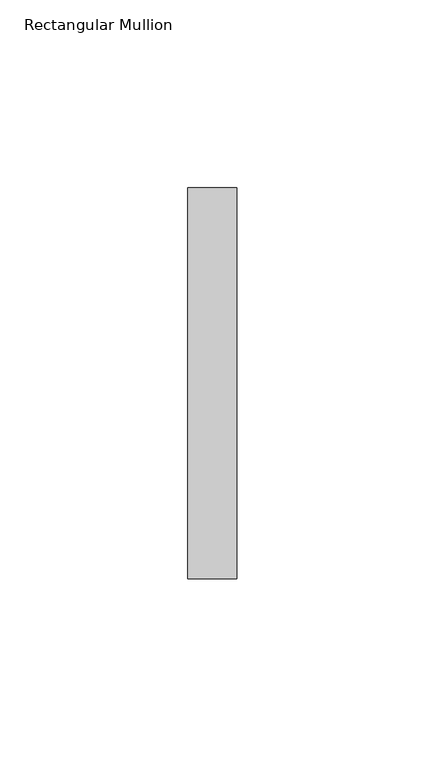
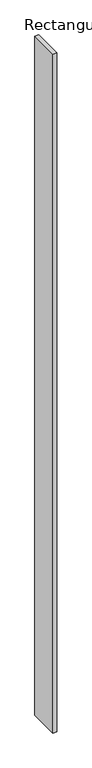
"""IFC4 building model written with IfcOpenShell, lengths in millimetres: member geometry, Rectangular Mullion."""

from ifc_helpers import new_model, si_unit, frame, origin, place, context, project, spatial, polyline, outline, extrude, source, transform, mapped, element, save


def rectangular_mullion_f9efddfa(model_context):
    return source(origin(), model_context, "Body", "SweptSolid", [
        extrude(outline(polyline([(0.0, 52.0), (0.0, -52.0), (-13.0, -52.0), (-13.0, 52.0), (0.0, 52.0)])), frame((0.0, 0.0, -2400.0), z_axis=(0.0, 0.0, 1.0), x_axis=(1.0, 0.0, 0.0)), (0.0, 0.0, 1.0), 2400.0),
    ])


if __name__ == "__main__":
    model = new_model("IFC4")
    model_context = context("Model", 3, world=origin())
    ifc_project = project(units=[si_unit("LENGTHUNIT", "METRE", prefix="MILLI")], contexts=[model_context])
    site = spatial("IfcSite", under=ifc_project)
    building = spatial("IfcBuilding", under=site)
    placement = place(None, origin())
    rectangular_mullion_shape = rectangular_mullion_f9efddfa(model_context)
    element("IfcMember", 1, ObjectType="Rectangular Mullion", at=placement, inside=building, context=model_context, shape_type="MappedRepresentation", body=[
        mapped(rectangular_mullion_shape, transform((0.0, 0.0, 0.0), x_axis=(1.0, 0.0, 0.0), y_axis=(0.0, 1.0, 0.0), z_axis=(0.0, 0.0, 1.0))),
    ])
    save(model, "model.ifc")
